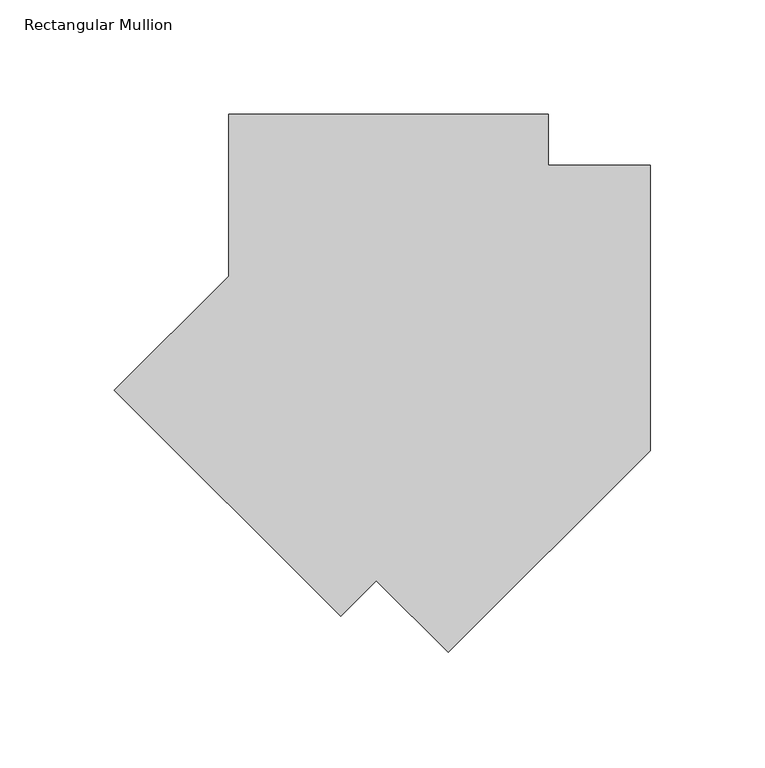
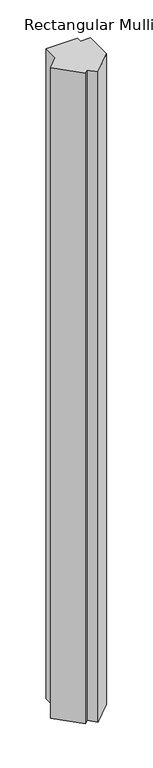
"""IFC4 building model written with IfcOpenShell, lengths in millimetres: member geometry, Rectangular Mullion."""

from ifc_helpers import new_model, si_unit, frame, origin, place, context, project, spatial, polyline, outline, extrude, source, transform, mapped, element, save


def rectangular_mullion_592e00f1(model_context):
    return source(origin(), model_context, "Body", "SweptSolid", [
        extrude(outline(polyline([(-184.1499894, 34.9005714), (-184.1499894, 105.5443214), (-44.4504596, 105.5443214), (-44.4504596, 83.3194346), (0.0, 83.3194346), (0.0, -41.3768518), (-88.1735896, -129.5504414), (-119.5672196, -98.1568114), (-135.2825877, -113.8721796), (-234.1026641, -15.0521032), (-184.1499894, 34.9005714)])), frame((0.0, 0.0, -3048.0), z_axis=(0.0, 0.0, 1.0), x_axis=(1.0, 0.0, 0.0)), (0.0, 0.0, 1.0), 3048.0),
    ])


if __name__ == "__main__":
    model = new_model("IFC4")
    model_context = context("Model", 3, world=origin())
    ifc_project = project(units=[si_unit("LENGTHUNIT", "METRE", prefix="MILLI")], contexts=[model_context])
    site = spatial("IfcSite", under=ifc_project)
    building = spatial("IfcBuilding", under=site)
    placement = place(None, origin())
    rectangular_mullion_shape = rectangular_mullion_592e00f1(model_context)
    element("IfcMember", 1, ObjectType="Rectangular Mullion", at=placement, inside=building, context=model_context, shape_type="MappedRepresentation", body=[
        mapped(rectangular_mullion_shape, transform((0.0, 0.0, 0.0), x_axis=(1.0, 0.0, 0.0), y_axis=(0.0, 1.0, 0.0), z_axis=(0.0, 0.0, 1.0))),
    ])
    save(model, "model.ifc")
